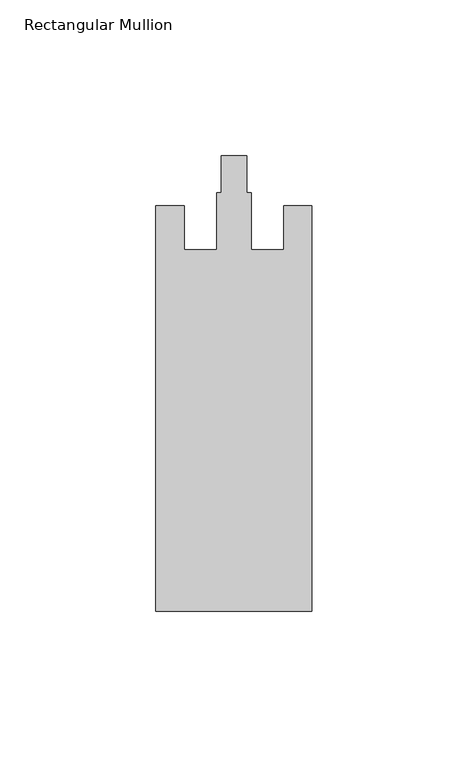
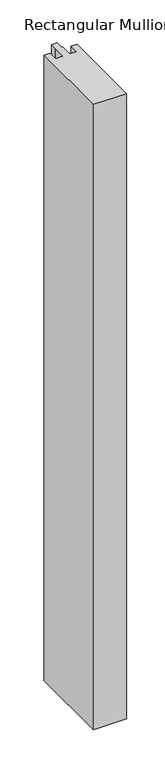
"""IFC4 building model written with IfcOpenShell, lengths in millimetres: member geometry, Rectangular Mullion."""

from ifc_helpers import new_model, si_unit, frame, origin, place, context, project, spatial, polyline, outline, extrude, source, transform, mapped, element, save


def rectangular_mullion_e86c65d3(model_context):
    return source(origin(), model_context, "Body", "SweptSolid", [
        extrude(outline(polyline([(-50.0, -153.0), (-50.0, -23.0), (-41.0, -23.0), (-41.0, -37.0), (-30.5, -37.0), (-30.5, -18.8), (-29.1, -18.8), (-29.1, -7.0), (-20.9, -7.0), (-20.9, -18.8), (-19.5, -18.8), (-19.5, -37.0), (-9.0, -37.0), (-9.0, -23.0), (0.0, -23.0), (0.0, -153.0), (-50.0, -153.0)])), frame((0.0, 0.0, -1000.0), z_axis=(0.0, 0.0, 1.0), x_axis=(1.0, 0.0, 0.0)), (0.0, 0.0, 1.0), 1000.0),
    ])


if __name__ == "__main__":
    model = new_model("IFC4")
    model_context = context("Model", 3, world=origin())
    ifc_project = project(units=[si_unit("LENGTHUNIT", "METRE", prefix="MILLI")], contexts=[model_context])
    site = spatial("IfcSite", under=ifc_project)
    building = spatial("IfcBuilding", under=site)
    placement = place(None, origin())
    rectangular_mullion_shape = rectangular_mullion_e86c65d3(model_context)
    element("IfcMember", 1, ObjectType="Rectangular Mullion", at=placement, inside=building, context=model_context, shape_type="MappedRepresentation", body=[
        mapped(rectangular_mullion_shape, transform((0.0, 0.0, 0.0), x_axis=(1.0, 0.0, 0.0), y_axis=(0.0, 1.0, 0.0), z_axis=(0.0, 0.0, 1.0))),
    ])
    save(model, "model.ifc")
